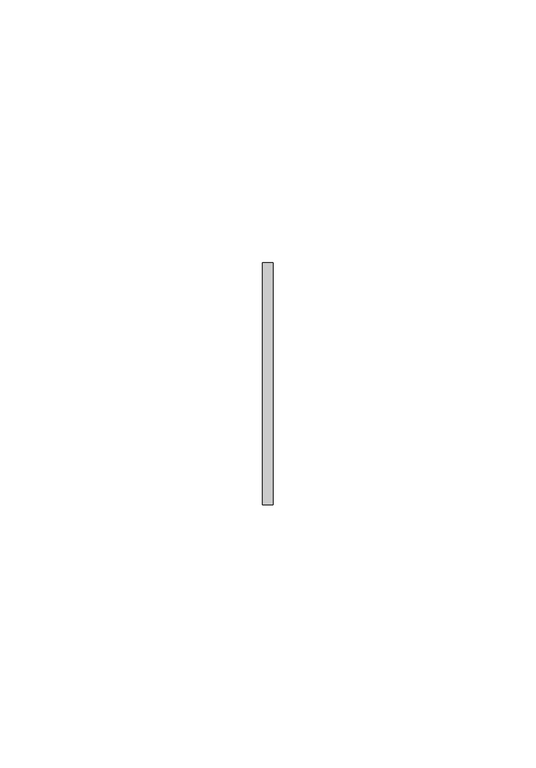
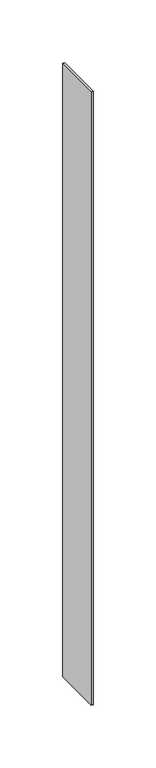
"""IFC4 building model written with IfcOpenShell, lengths in millimetres: member geometry."""

from ifc_helpers import new_model, si_unit, frame, origin, place, context, project, spatial, polyline, outline, extrude, source, transform, mapped, element, save


def member_5e767d6c(model_context):
    return source(origin(), model_context, "Body", "SweptSolid", [
        extrude(outline(polyline([(1.0, 23.0), (1.0, -23.0), (-1.0, -23.0), (-1.0, 23.0), (1.0, 23.0)])), frame((0.0, 0.0, -599.0), z_axis=(0.0, 0.0, 1.0), x_axis=(1.0, 0.0, 0.0)), (0.0, 0.0, 1.0), 599.0),
    ])


if __name__ == "__main__":
    model = new_model("IFC4")
    model_context = context("Model", 3, world=origin())
    ifc_project = project(units=[si_unit("LENGTHUNIT", "METRE", prefix="MILLI")], contexts=[model_context])
    site = spatial("IfcSite", under=ifc_project)
    building = spatial("IfcBuilding", under=site)
    placement = place(None, origin())
    member_shape = member_5e767d6c(model_context)
    element("IfcMember", 1, at=placement, inside=building, context=model_context, shape_type="MappedRepresentation", body=[
        mapped(member_shape, transform((0.0, 0.0, 0.0), x_axis=(1.0, 0.0, 0.0), y_axis=(0.0, 1.0, 0.0), z_axis=(0.0, 0.0, 1.0))),
    ])
    save(model, "model.ifc")
